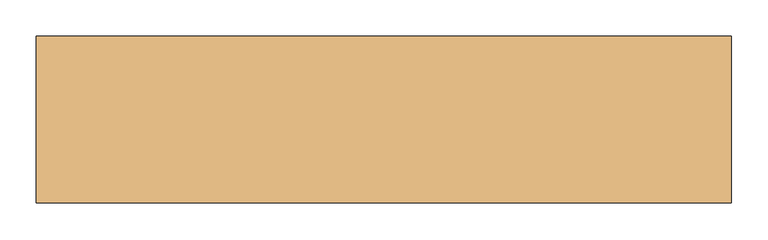
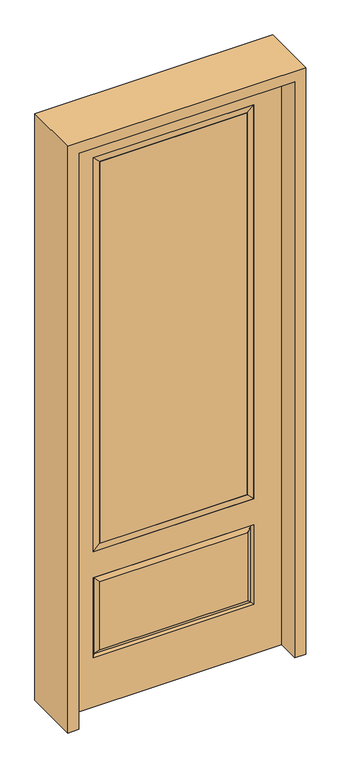
"""IFC4 building model written with IfcOpenShell, lengths in millimetres: door geometry."""

import ifcopenshell
import ifcopenshell.guid

model = None  # the IFC model being written
_history = None  # IfcOwnerHistory: only IFC2X3 demands one
_inside = {}  # id of a spatial element -> (the spatial element, [elements in it])
_under = {}  # id of a project, library or spatial element -> (it, [spatial elements below it])
_declared = {}  # id of a project -> (the project, [libraries it declares])
_typed = {}  # id of a type object -> (the type object, [elements of that type])
_made_of = {}  # id of a material, layer set ... -> (it, [elements and type objects made of it])


def new_model(schema):
    """Start an empty IFC model of exactly this schema.

    Asked for "IFC4X3", IfcOpenShell would pick the latest addendum, in which some entities
    have other attributes; the version numbers below select the first issue.
    IFC2X3 requires an IfcOwnerHistory on every rooted entity: one is made here for all.
    """
    global model, _history
    if schema == "IFC4X3":
        model = ifcopenshell.file(schema_version=(4, 3, 0, 0))
    else:
        model = ifcopenshell.file(schema=schema)
    _inside.clear()
    _under.clear()
    _declared.clear()
    _typed.clear()
    _made_of.clear()
    _history = None
    if model.schema == "IFC2X3":
        org = make("IfcOrganization", Name="unknown")
        user = make(
            "IfcPersonAndOrganization",
            ThePerson=make("IfcPerson", FamilyName="unknown"),
            TheOrganization=org,
        )
        app = make(
            "IfcApplication",
            ApplicationDeveloper=org,
            Version="unknown",
            ApplicationFullName="unknown",
            ApplicationIdentifier="unknown",
        )
        _history = make(
            "IfcOwnerHistory",
            OwningUser=user,
            OwningApplication=app,
            ChangeAction="ADDED",
            CreationDate=0,
        )
    return model


def make(cls, **values):
    """One entity of the class cls with the attributes given. An attribute that is None is left unset."""
    return model.create_entity(
        cls, **{name: value for name, value in values.items() if value is not None}
    )


def rooted(cls, **values):
    """An entity with a GlobalId (a new one), such as an element, a storey or a relation."""
    return make(cls, GlobalId=ifcopenshell.guid.new(), OwnerHistory=_history, **values)


def si_unit(unit_type, name, prefix=None):
    """IfcSIUnit, for example si_unit("LENGTHUNIT", "METRE", prefix="MILLI")."""
    return make("IfcSIUnit", UnitType=unit_type, Prefix=prefix, Name=name)


def assignment(units):
    """IfcUnitAssignment: the units of a project."""
    return None if units is None else make("IfcUnitAssignment", Units=units)


def point(xyz):
    """IfcCartesianPoint."""
    return None if xyz is None else make("IfcCartesianPoint", Coordinates=xyz)


def direction(xyz):
    """IfcDirection."""
    return None if xyz is None else make("IfcDirection", DirectionRatios=xyz)


def frame(location, z_axis=None, x_axis=None):
    """IfcAxis2Placement3D, a coordinate frame: its origin and axes. An axis left out is left unset."""
    return make(
        "IfcAxis2Placement3D",
        Location=point(location),
        Axis=direction(z_axis),
        RefDirection=direction(x_axis),
    )


def origin():
    """The frame at (0, 0, 0) with its axes left unset."""
    return frame((0.0, 0.0, 0.0))


def place(relative_to, where):
    """IfcLocalPlacement: puts the frame where relative to a parent placement (None: the world)."""
    return make(
        "IfcLocalPlacement", PlacementRelTo=relative_to, RelativePlacement=where
    )


def context(
    kind, dimensions, precision=None, world=None, true_north=None, identifier=None
):
    """IfcGeometricRepresentationContext, for example the 3D "Model" context."""
    return make(
        "IfcGeometricRepresentationContext",
        ContextIdentifier=identifier,
        ContextType=kind,
        CoordinateSpaceDimension=dimensions,
        Precision=precision,
        WorldCoordinateSystem=world,
        TrueNorth=true_north,
    )


def project(units=None, contexts=None):
    """IfcProject with its units and contexts."""
    return rooted(
        "IfcProject",
        Name="project",
        RepresentationContexts=contexts,
        UnitsInContext=assignment(units),
    )


def spatial(cls, under=None, at=None, **own):
    """A site, building, storey or space (cls), placed at a placement, below another one or the project."""
    s = rooted(cls, ObjectPlacement=at, **own)
    if under is not None:
        _under.setdefault(under.id(), (under, []))[1].append(s)
    return s


def polyline(points):
    """IfcPolyline through the points."""
    return make("IfcPolyline", Points=[point(p) for p in points])


def outline(outer, holes=None, kind="AREA"):
    """IfcArbitraryClosedProfileDef: a profile drawn as a closed curve; with holes, ...WithVoids."""
    if holes is None:
        return make("IfcArbitraryClosedProfileDef", ProfileType=kind, OuterCurve=outer)
    return make(
        "IfcArbitraryProfileDefWithVoids",
        ProfileType=kind,
        OuterCurve=outer,
        InnerCurves=holes,
    )


def extrude(swept, where, along, depth):
    """IfcExtrudedAreaSolid: the profile swept, set in the frame where, extruded along a direction by depth."""
    return make(
        "IfcExtrudedAreaSolid",
        SweptArea=swept,
        Position=where,
        ExtrudedDirection=direction(along),
        Depth=depth,
    )


def faces_of(points, faces, orient=None, outer=None):
    """IfcFace entities. A face is a list of loops; a loop is a list of indices into points, from 0.

    orient and outer hold one flag for each loop. By default every Orientation is true, the
    first loop of a face is its IfcFaceOuterBound and the others are IfcFaceBound.
    """
    made = []
    for i, loops in enumerate(faces):
        bounds = []
        for j, loop in enumerate(loops):
            is_outer = j == 0 if outer is None else outer[i][j]
            bounds.append(
                make(
                    "IfcFaceOuterBound" if is_outer else "IfcFaceBound",
                    Bound=make("IfcPolyLoop", Polygon=[points[k] for k in loop]),
                    Orientation=True if orient is None else orient[i][j],
                )
            )
        made.append(make("IfcFace", Bounds=bounds))
    return made


def faceted_brep(points, faces, orient=None, outer=None, voids=None):
    """IfcFacetedBrep: a solid bounded by flat faces; with voids (closed shells), ...WithVoids."""
    shared = [point(p) for p in points]
    hull = make("IfcClosedShell", CfsFaces=faces_of(shared, faces, orient, outer))
    if voids is None:
        return make("IfcFacetedBrep", Outer=hull)
    return make(
        "IfcFacetedBrepWithVoids",
        Outer=hull,
        Voids=[
            make(cls, CfsFaces=faces_of(shared, fs, o, b)) for cls, fs, o, b in voids
        ],
    )


def shape(context_of_items, identifier, shape_type, items):
    """IfcShapeRepresentation: the items that make up one representation, for example the "Body"."""
    return make(
        "IfcShapeRepresentation",
        ContextOfItems=context_of_items,
        RepresentationIdentifier=identifier,
        RepresentationType=shape_type,
        Items=items,
    )


def source(mapping_origin, context_of_items, identifier, shape_type, items):
    """IfcRepresentationMap: a shape defined once, which mapped items show again and again."""
    return make(
        "IfcRepresentationMap",
        MappingOrigin=mapping_origin,
        MappedRepresentation=shape(context_of_items, identifier, shape_type, items),
    )


def transform(
    local_origin,
    x_axis=None,
    y_axis=None,
    z_axis=None,
    scale=None,
    scale2=None,
    scale3=None,
    uniform=True,
):
    """IfcCartesianTransformationOperator3D, or its non-uniform kind. x_axis, y_axis, z_axis: its Axis1, 2, 3."""
    if uniform:
        return make(
            "IfcCartesianTransformationOperator3D",
            Axis1=direction(x_axis),
            Axis2=direction(y_axis),
            LocalOrigin=point(local_origin),
            Scale=scale,
            Axis3=direction(z_axis),
        )
    return make(
        "IfcCartesianTransformationOperator3DnonUniform",
        Axis1=direction(x_axis),
        Axis2=direction(y_axis),
        LocalOrigin=point(local_origin),
        Scale=scale,
        Axis3=direction(z_axis),
        Scale2=scale2,
        Scale3=scale3,
    )


def mapped(mapping_source, mapping_target):
    """IfcMappedItem: shows the shape of a source again, moved by a transform."""
    return make(
        "IfcMappedItem", MappingSource=mapping_source, MappingTarget=mapping_target
    )


def made_of(thing, what):
    """Note that an element or type object is made of a material, layer set ...; save() writes the relation."""
    if what is not None:
        _made_of.setdefault(what.id(), (what, []))[1].append(thing)
    return thing


def element(
    cls,
    number,
    at=None,
    inside=None,
    cuts=None,
    type_object=None,
    material=None,
    context=None,
    identifier="Body",
    shape_type=None,
    held_by="IfcProductDefinitionShape",
    body=None,
    shapes=None,
    **own,
):
    """One element of the class cls, such as IfcWall. Its Tag is "e" and its number.

    at: its placement. inside: the storey or other place that contains it. cuts: it is an
    opening in that element (IfcRelVoidsElement). A single representation is given by context,
    identifier, shape_type and body (its items); several are given by shapes. held_by: the class
    of the entity that holds the representations. save() writes the other relations.
    """
    e = rooted(cls, Tag="e%d" % number, ObjectPlacement=at, **own)
    if body is not None:
        shapes = [shape(context, identifier, shape_type, body)]
    if shapes is not None:
        e.Representation = make(held_by, Representations=shapes)
    if inside is not None:
        _inside.setdefault(inside.id(), (inside, []))[1].append(e)
    if cuts is not None:
        rooted(
            "IfcRelVoidsElement", RelatingBuildingElement=cuts, RelatedOpeningElement=e
        )
    if type_object is not None:
        _typed.setdefault(type_object.id(), (type_object, []))[1].append(e)
    return made_of(e, material)


def aggregate(whole, parts):
    """IfcRelAggregates: a whole, such as a stair, and the parts it consists of."""
    return rooted("IfcRelAggregates", RelatingObject=whole, RelatedObjects=parts)


def save(model, path):
    """Write the relations noted so far, then the file.

    IfcRelAggregates (storeys below a building ...), IfcRelContainedInSpatialStructure (elements
    in a storey), IfcRelDefinesByType, IfcRelAssociatesMaterial and IfcRelDeclares: one each for
    every whole, place, type object, material and project.
    """
    for whole, parts in _under.values():
        aggregate(whole, parts)
    for where, things in _inside.values():
        rooted(
            "IfcRelContainedInSpatialStructure",
            RelatedElements=things,
            RelatingStructure=where,
        )
    for kind, things in _typed.values():
        rooted("IfcRelDefinesByType", RelatedObjects=things, RelatingType=kind)
    for what, things in _made_of.values():
        rooted("IfcRelAssociatesMaterial", RelatedObjects=things, RelatingMaterial=what)
    for by, libraries in _declared.values():
        rooted("IfcRelDeclares", RelatingContext=by, RelatedDefinitions=libraries)
    model.write(path)


def door_dd7cb29b(model_context):
    return source(origin(), model_context, "Body", "SolidModel", [
        extrude(outline(polyline([(295.275, -20.32), (-295.275, -20.32), (-295.275, 5.08), (295.275, 5.08), (295.275, -20.32)])), frame((0.0, 0.0, 682.498), z_axis=(0.0, 0.0, 1.0), x_axis=(1.0, 0.0, 0.0)), (0.0, 0.0, 1.0), 1616.202),
        faceted_brep([(-313.5661499, -12.7912373, 216.6588501), (313.5661499, -12.7912373, 216.6588501), (296.06875, -22.225, 234.15625), (-296.06875, -22.225, 234.15625), (-320.675, -22.225, 209.55), (320.675, -22.225, 209.55), (-313.5661499, -12.7912373, 538.9911499), (-320.675, -22.225, 546.1), (296.06875, -22.225, 521.49375), (-296.06875, -22.225, 521.49375), (431.8, -22.225, 2438.4), (-431.8, -22.225, 2438.4), (-431.8, -22.225, 0.0), (431.8, -22.225, 0.0), (320.675, -22.225, 546.1), (320.675, -22.225, 2324.1), (320.675, -22.225, 657.098), (-320.675, -22.225, 657.098), (-320.675, -22.225, 2324.1), (313.5661499, -12.7912373, 538.9911499), (-431.8, 22.225, 2438.4), (-431.8, 22.225, 0.0), (431.8, 22.225, 0.0), (431.8, 22.225, 2438.4), (320.675, 22.225, 2324.1), (320.675, 22.225, 657.098), (-320.675, 22.225, 657.098), (-320.675, 22.225, 2324.1), (-320.675, 22.225, 209.55), (320.675, 22.225, 209.55), (320.675, 22.225, 546.1), (-320.675, 22.225, 546.1), (296.06875, 22.225, 234.15625), (-296.06875, 22.225, 234.15625), (-296.06875, 22.225, 521.49375), (296.06875, 22.225, 521.49375), (-313.5661499, 12.7912373, 216.6588501), (313.5661499, 12.7912373, 216.6588501), (313.5661499, 12.7912373, 538.9911499), (-313.5661499, 12.7912373, 538.9911499)], [[[0, 1, 2, 3]], [[1, 0, 4, 5]], [[4, 0, 6, 7]], [[3, 2, 8, 9]], [[10, 11, 12, 13], [5, 4, 7, 14], [15, 16, 17, 18]], [[1, 5, 14, 19]], [[2, 1, 19, 8]], [[0, 3, 9, 6]], [[7, 6, 19, 14]], [[6, 9, 8, 19]], [[12, 11, 20, 21]], [[13, 12, 21, 22]], [[10, 13, 22, 23]], [[16, 15, 24, 25]], [[17, 16, 25, 26]], [[18, 17, 26, 27]], [[23, 22, 21, 20], [28, 29, 30, 31], [24, 27, 26, 25]], [[32, 33, 34, 35]], [[28, 36, 37, 29]], [[29, 37, 38, 30]], [[39, 31, 30, 38]], [[36, 28, 31, 39]], [[37, 36, 33, 32]], [[33, 36, 39, 34]], [[34, 39, 38, 35]], [[37, 32, 35, 38]], [[11, 10, 23, 20]], [[15, 18, 27, 24]]]),
        faceted_brep([(-320.675, -22.225, 2324.1), (-320.675, 22.225, 2324.1), (-320.675, 22.225, 657.098), (-320.675, -22.225, 657.098), (320.675, 22.225, 657.098), (320.675, -22.225, 657.098), (-295.275, 5.08, 682.498), (295.275, 5.08, 682.498), (320.675, 22.225, 2324.1), (320.675, -22.225, 2324.1), (-295.275, -20.32, 682.498), (295.275, -20.32, 682.498), (-295.275, -20.32, 2298.7), (295.275, -20.32, 2298.7), (-295.275, 5.08, 2298.7), (295.275, 5.08, 2298.7)], [[[0, 1, 2, 3]], [[3, 2, 4, 5]], [[2, 6, 7, 4]], [[5, 4, 8, 9]], [[10, 3, 5, 11]], [[12, 0, 3, 10]], [[11, 5, 9, 13]], [[6, 10, 11, 7]], [[14, 12, 10, 6]], [[7, 11, 13, 15]], [[1, 14, 6, 2]], [[4, 7, 15, 8]], [[9, 8, 1, 0]], [[13, 9, 0, 12]], [[15, 13, 12, 14]], [[8, 15, 14, 1]]]),
        extrude(outline(polyline([(2482.85, -476.25), (0.0, -476.25), (0.0, -431.8), (2438.4, -431.8), (2438.4, 431.8), (0.0, 431.8), (0.0, 476.25), (2482.85, 476.25), (2482.85, -476.25)])), frame((0.0, -114.3, 0.0), z_axis=(0.0, 1.0, 0.0), x_axis=(0.0, 0.0, 1.0)), (0.0, 0.0, 1.0), 228.6),
    ])


if __name__ == "__main__":
    model = new_model("IFC4")
    model_context = context("Model", 3, world=origin())
    ifc_project = project(units=[si_unit("LENGTHUNIT", "METRE", prefix="MILLI")], contexts=[model_context])
    site = spatial("IfcSite", under=ifc_project)
    building = spatial("IfcBuilding", under=site)
    placement = place(None, origin())
    door_shape = door_dd7cb29b(model_context)
    element("IfcDoor", 1, at=placement, inside=building, context=model_context, shape_type="MappedRepresentation", body=[
        mapped(door_shape, transform((0.0, 0.0, 0.0), x_axis=(1.0, 0.0, 0.0), y_axis=(0.0, 1.0, 0.0), z_axis=(0.0, 0.0, 1.0))),
    ])
    save(model, "model.ifc")
